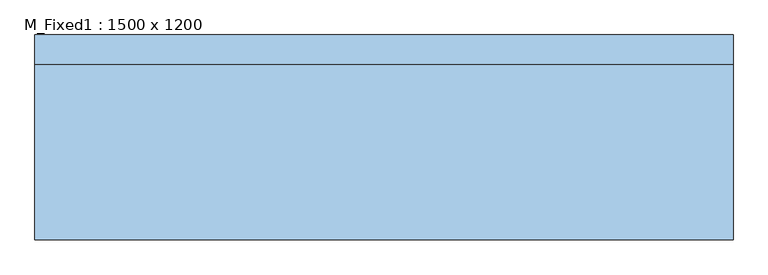
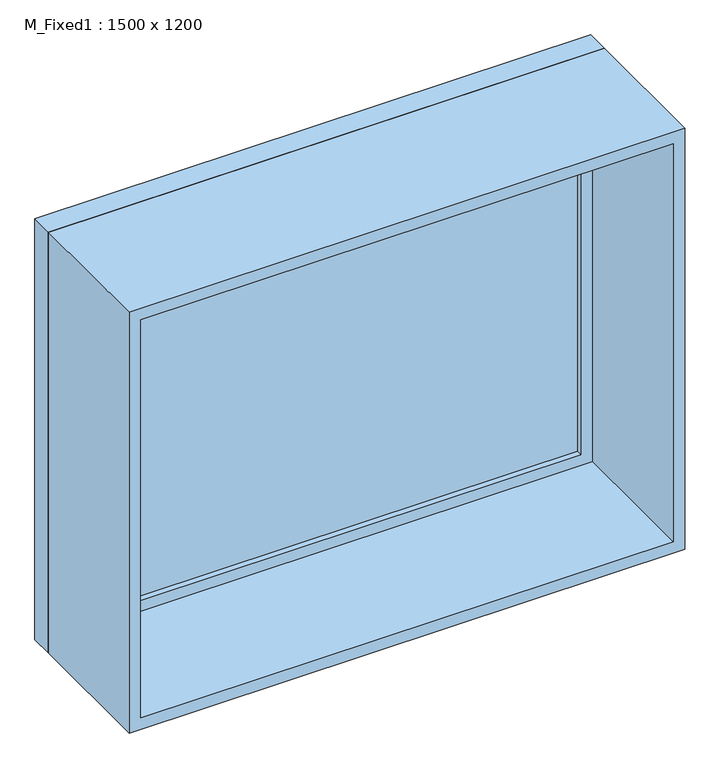
"""IFC4 building model written with IfcOpenShell, lengths in millimetres: window geometry, M_Fixed1 : 1500 x 1200."""

from ifc_helpers import new_model, si_unit, frame, origin, place, context, project, spatial, polyline, outline, extrude, source, transform, mapped, element, save


def m_fixed1_1500_x_1200_ce6da4e6(model_context):
    return source(origin(), model_context, "Body", "SweptSolid", [
        extrude(outline(polyline([(-687.0, 198.0), (687.0, 198.0), (687.0, 186.0), (-687.0, 186.0), (-687.0, 198.0)])), frame((0.0, 0.0, 978.0), z_axis=(0.0, 0.0, 1.0), x_axis=(1.0, 0.0, 0.0)), (0.0, 0.0, 1.0), 1074.0),
        extrude(outline(polyline([(2096.0, -731.0), (934.0, -731.0), (934.0, 731.0), (2096.0, 731.0), (2096.0, -731.0)]), holes=[polyline([(2052.0, -687.0), (2052.0, 687.0), (978.0, 687.0), (978.0, -687.0), (2052.0, -687.0)])]), frame((0.0, 170.0, 0.0), z_axis=(0.0, 1.0, 0.0), x_axis=(0.0, 0.0, 1.0)), (0.0, 0.0, 1.0), 44.0),
        extrude(outline(polyline([(2115.0, -750.0), (915.0, -750.0), (915.0, 750.0), (2115.0, 750.0), (2115.0, -750.0)]), holes=[polyline([(2096.0, -731.0), (2096.0, 731.0), (934.0, 731.0), (934.0, -731.0), (2096.0, -731.0)])]), frame((0.0, 170.0, 0.0), z_axis=(0.0, 1.0, 0.0), x_axis=(0.0, 0.0, 1.0)), (0.0, 0.0, 1.0), 63.0),
        extrude(outline(polyline([(2115.0, -750.0), (915.0, -750.0), (915.0, 750.0), (2115.0, 750.0), (2115.0, -750.0)]), holes=[polyline([(2083.0, -718.0), (2083.0, 718.0), (947.0, 718.0), (947.0, -718.0), (2083.0, -718.0)])]), frame((0.0, -207.0, 0.0), z_axis=(0.0, 1.0, 0.0), x_axis=(0.0, 0.0, 1.0)), (0.0, 0.0, 1.0), 377.0),
    ])


if __name__ == "__main__":
    model = new_model("IFC4")
    model_context = context("Model", 3, world=origin())
    ifc_project = project(units=[si_unit("LENGTHUNIT", "METRE", prefix="MILLI")], contexts=[model_context])
    site = spatial("IfcSite", under=ifc_project)
    building = spatial("IfcBuilding", under=site)
    placement = place(None, origin())
    m_fixed1_1500_x_1200_shape = m_fixed1_1500_x_1200_ce6da4e6(model_context)
    element("IfcWindow", 1, ObjectType="M_Fixed1 : 1500 x 1200", at=placement, inside=building, context=model_context, shape_type="MappedRepresentation", body=[
        mapped(m_fixed1_1500_x_1200_shape, transform((0.0, 0.0, 0.0), x_axis=(1.0, 0.0, 0.0), y_axis=(0.0, 1.0, 0.0), z_axis=(0.0, 0.0, 1.0))),
    ])
    save(model, "model.ifc")
